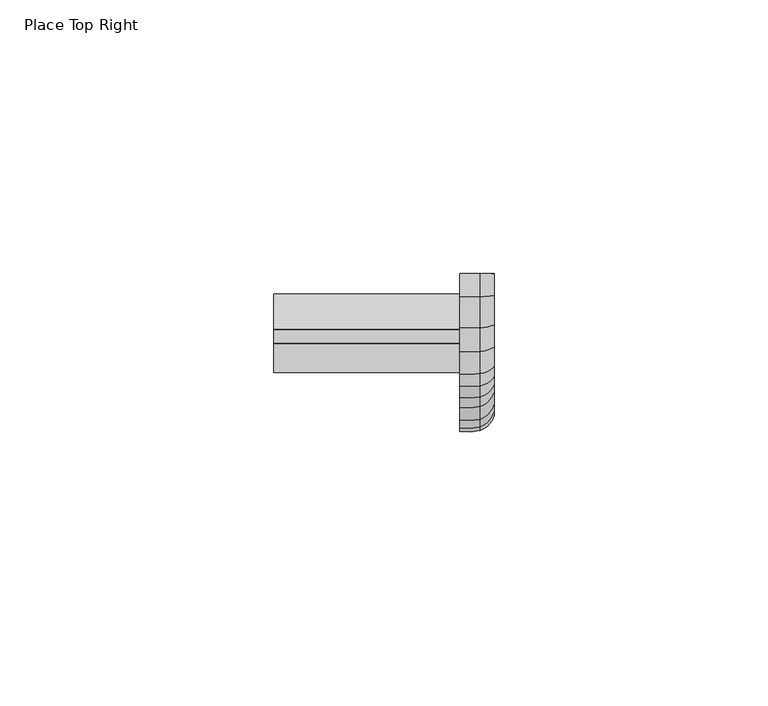
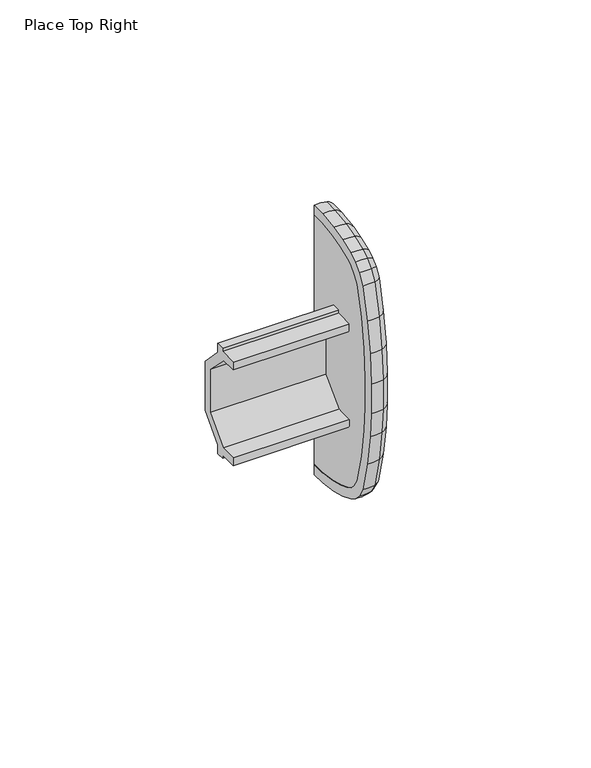
"""IFC4 building model written with IfcOpenShell, lengths in millimetres: furniture geometry, Place Top Right."""

from ifc_helpers import new_model, si_unit, frame, origin, place, context, project, spatial, polyline, circle_curve, ellipse_curve, outline, extrude, source, transform, mapped, element, save
from ifc_brep_helpers import plane_surface, cylinder_surface, advanced_brep


def place_top_right_40cb5857(model_context):
    return source(origin(), model_context, "Body", "SolidModel", [
        advanced_brep(
        [(0.0, 0.0345067, 1872.6630426), (6.2857404, 0.0345067, 1872.6630426), (3.7374705, 0.0022714, 1869.8834799), (0.0, 0.0, 1869.6876205), (0.0, 0.0345068, 1949.9111899), (0.0, 0.0, 1952.8866119), (3.7374705, 0.0022714, 1952.6907526), (6.2857404, 0.0345068, 1949.9111899), (0.0, -4.0166405, 1872.7100247), (6.2857404, -4.0166405, 1872.7100247), (3.7374705, -4.2331853, 1869.9325995), (0.0, -4.2484439, 1869.7368908), (0.0, -9.9277677, 1870.5605324), (0.0, -14.3006328, 1871.7326992), (0.0, -18.3551887, 1873.3113819), (0.0, -20.6131389, 1874.7464944), (0.0, -22.67665, 1876.8100056), (0.0, -24.4838344, 1879.8210136), (0.0, -26.8114062, 1889.2204399), (0.0, -28.1951654, 1898.4233665), (0.0, -28.7909025, 1905.9550289), (0.0, -28.8690704, 1915.0652287), (0.0, -28.1951654, 1924.1508659), (0.0, -26.8114085, 1933.3537926), (0.0, -24.4838344, 1942.7532188), (0.0, -22.6766477, 1945.7642269), (0.0, -20.6131248, 1947.8277498), (0.0, -18.3551887, 1949.2628506), (0.0, -14.3006328, 1950.8415333), (0.0, -9.9277677, 1952.0137001), (0.0, -4.24843, 1952.8373417), (0.0, -4.016627, 1949.8642077), (0.0, -9.3269329, 1949.0940847), (0.0, -13.372825, 1948.0095645), (0.0, -17.0045177, 1946.5955279), (0.0, -18.7406056, 1945.4921039), (0.0, -20.3136925, 1943.919017), (0.0, -21.7027531, 1941.6046612), (0.0, -23.8895635, 1932.7736802), (0.0, -25.2359754, 1923.8191233), (0.0, -25.8925026, 1914.9677753), (0.0, -25.8162884, 1906.0852714), (0.0, -25.23706, 1898.7623229), (0.0, -23.8895613, 1889.8005523), (0.0, -21.7027528, 1880.9695702), (0.0, -20.3136941, 1878.6552149), (0.0, -18.7406187, 1877.0821394), (0.0, -17.0045165, 1875.9787041), (0.0, -13.372825, 1874.5646679), (0.0, -9.3269324, 1873.4801476), (6.2857404, -9.3269324, 1873.4801476), (3.7374705, -9.8882173, 1870.7527182), (6.2857404, -13.372825, 1874.5646679), (3.7374705, -14.2395592, 1871.9191156), (6.2857404, -17.0045165, 1875.9787041), (3.7374705, -18.2662797, 1873.4869604), (6.2857404, -18.7406187, 1877.0821394), (3.7374705, -20.4898788, 1874.90024), (6.2857404, -20.3136941, 1878.6552149), (6.2857404, -21.7027528, 1880.9695702), (3.7374705, -22.5211067, 1876.9314678), (3.7374705, -24.3007676, 1879.8966182), (6.2857404, -23.8895613, 1889.8005523), (3.7374705, -26.6190736, 1889.2586262), (6.2857404, -25.23706, 1898.7623229), (3.7374705, -28.0004459, 1898.4456786), (6.2857404, -25.8162884, 1906.0852714), (3.7374705, -28.5950963, 1905.9636022), (6.2857404, -25.8925026, 1914.9677753), (3.7374705, -28.6731357, 1915.0588137), (6.2857404, -25.2359754, 1923.8191233), (3.7374705, -28.0003745, 1924.1290287), (6.2857404, -23.8895635, 1932.7736802), (3.7374705, -26.6190759, 1933.3156062), (6.2857404, -21.7027531, 1941.6046612), (3.7374705, -24.3007677, 1942.6776142), (6.2857404, -20.3136925, 1943.919017), (3.7374705, -22.5211045, 1945.6427646), (6.2857404, -18.7406056, 1945.4921039), (6.2857404, -17.0045177, 1946.5955279), (3.7374705, -20.4898649, 1947.6740042), (3.7374705, -18.2662798, 1949.0872721), (6.2857404, -13.372825, 1948.0095645), (3.7374705, -14.2395592, 1950.6551168), (6.2857404, -9.3269329, 1949.0940847), (3.7374705, -9.8882173, 1951.8215143), (6.2857404, -4.016627, 1949.8642077), (3.7374705, -4.2331714, 1952.6416329)],
        [
            (0, 1),
            (1, 2, circle_curve(frame((2.1154827, 0.0491771, 1873.928035), z_axis=(0.0, 0.999932758726831, -0.01159646605434704), x_axis=(0.0, -0.011596466054347039, -0.9999327587268307)), 4.3579204)),
            (2, 3, circle_curve(frame((1.2869074, 0.129879, 1880.8867413), z_axis=(0.0, 0.999932758726831, -0.01159646605434704), x_axis=(0.0, -0.011596466054347039, -0.9999327587268307)), 11.2735666)),
            (3, 0),
            (4, 5),
            (5, 6, circle_curve(frame((1.2869074, 0.1298794, 1941.6874912), z_axis=(0.0, 0.9999327582865747, 0.011596504016415349), x_axis=(0.0, -0.011596504016415349, 0.9999327582865747)), 11.2735666)),
            (6, 7, circle_curve(frame((2.1154827, 0.0491773, 1948.6461975), z_axis=(0.0, 0.9999327582865747, 0.011596504016415349), x_axis=(0.0, -0.011596504016415349, 0.9999327582865747)), 4.3579204)),
            (7, 4),
            (0, 8),
            (8, 9),
            (9, 1),
            (9, 10, ellipse_curve(frame((2.1154827, -3.9180899, 1873.9740443), z_axis=(0.0, 0.9969744367081161, -0.07773012640240917), x_axis=(0.0, 0.07773012640240955, 0.9969744367081161)), 4.3674905, 4.3579204)),
            (10, 2),
            (3, 11),
            (11, 12),
            (12, 13),
            (13, 14),
            (14, 15),
            (15, 16),
            (16, 17),
            (17, 18),
            (18, 19),
            (19, 20),
            (20, 21),
            (21, 22),
            (22, 23),
            (23, 24),
            (24, 25),
            (25, 26),
            (26, 27),
            (27, 28),
            (28, 29),
            (29, 30),
            (30, 5),
            (4, 31),
            (31, 32),
            (32, 33),
            (33, 34),
            (34, 35),
            (35, 36),
            (36, 37),
            (37, 38),
            (38, 39),
            (39, 40),
            (40, 41),
            (41, 42),
            (42, 43),
            (43, 44),
            (44, 45),
            (45, 46),
            (46, 47),
            (47, 48),
            (48, 49),
            (49, 8),
            (49, 50),
            (50, 9),
            (50, 51, ellipse_curve(frame((2.1154827, -9.071489, 1874.7214139), z_axis=(0.0, 0.9794743974731752, -0.20156861039001206), x_axis=(0.0, 0.20156861039001042, 0.9794743974731756)), 4.3655006, 4.3579204)),
            (51, 10),
            (48, 52),
            (52, 50),
            (52, 53, ellipse_curve(frame((2.1154827, -12.9783701, 1875.7686715), z_axis=(0.0, 0.9502997040868885, -0.31133659022410476), x_axis=(0.0, 0.31133659022410903, 0.950299704086887)), 4.3644485, 4.3579204)),
            (53, 51),
            (47, 54),
            (54, 52),
            (54, 55, ellipse_curve(frame((2.1154827, -16.430282, 1877.1127087), z_axis=(0.0, 0.8921397276806271, -0.45175956690914293), x_axis=(0.0, 0.45175956690914404, 0.8921397276806267)), 4.3786891, 4.3579204)),
            (55, 53),
            (46, 56),
            (56, 54),
            (56, 57, ellipse_curve(frame((2.1154827, -17.9445219, 1878.0751324), z_axis=(0.0, 0.7802159010365782, -0.6255103098828031), x_axis=(0.0, 0.6255103098828034, 0.780215901036578)), 4.3842322, 4.3579204)),
            (57, 55),
            (58, 45),
            (44, 59),
            (59, 58),
            (60, 58, ellipse_curve(frame((2.1154827, -19.3090901, 1879.4397005), z_axis=(0.0, -0.6154679787389694, 0.7881618914582001), x_axis=(0.0, -0.7881618914582013, -0.615467978738968)), 4.3907801, 4.3579204)),
            (59, 61, ellipse_curve(frame((2.1154827, -20.5203837, 1881.4578757), z_axis=(0.0, 0.381717250069624, -0.9242791466863699), x_axis=(0.0, 0.92427914668637, 0.3817172500696234)), 4.4066859, 4.3579204)),
            (61, 60),
            (43, 62),
            (62, 59),
            (62, 63, ellipse_curve(frame((2.1154827, -22.6473471, 1890.0471855), z_axis=(0.0, 0.19474198430786063, -0.9808545047803149), x_axis=(0.0, 0.9808545047803159, 0.1947419843078558)), 4.3626873, 4.3579204)),
            (63, 61),
            (42, 64),
            (64, 62),
            (64, 65, ellipse_curve(frame((2.1154827, -23.9794298, 1898.9064293), z_axis=(0.0, 0.11384072236192218, -0.9934990135536702), x_axis=(0.0, 0.9934990135536701, 0.11384072236192305)), 4.3606147, 4.3579204)),
            (65, 63),
            (41, 66),
            (66, 64),
            (66, 67, ellipse_curve(frame((2.1154827, -24.5516395, 1906.1406436), z_axis=(0.0, 0.04374274453800032, -0.9990428280610812), x_axis=(0.0, 0.9990428280610814, 0.043742744537998576)), 4.360618, 4.3579204)),
            (67, 65),
            (40, 68),
            (68, 66),
            (68, 69, ellipse_curve(frame((2.1154827, -24.6270231, 1914.9263433), z_axis=(0.0, -0.03272262932383509, -0.9994644713696104), x_axis=(0.0, 0.9994644713696105, -0.03272262932384011)), 4.3616412, 4.3579204)),
            (69, 67),
            (39, 70),
            (70, 68),
            (70, 71, ellipse_curve(frame((2.1154827, -23.977884, 1923.6780839), z_axis=(0.0, -0.11140799859008914, -0.9937747520691753), x_axis=(0.0, 0.9937747520691756, -0.11140799859008384)), 4.3610032, 4.3579204)),
            (71, 69),
            (38, 72),
            (72, 70),
            (72, 73, ellipse_curve(frame((2.1154827, -22.6473493, 1932.527047), z_axis=(0.0, -0.19474197760746348, -0.9808545061106333), x_axis=(0.0, 0.9808545061106335, -0.1947419776074624)), 4.3626874, 4.3579204)),
            (73, 71),
            (37, 74),
            (74, 72),
            (74, 75, ellipse_curve(frame((2.1154827, -20.5203842, 1941.1163552), z_axis=(0.0, -0.38171761151703903, -0.9242789974124301), x_axis=(0.0, 0.9242789974124304, -0.38171761151703837)), 4.406686, 4.3579204)),
            (75, 73),
            (36, 76),
            (76, 74),
            (76, 77, ellipse_curve(frame((2.1154827, -19.3090886, 1943.1345312), z_axis=(0.0, -0.61546819724616, -0.788161720828005), x_axis=(0.0, 0.7881617208280051, -0.6154681972461596)), 4.39078, 4.3579204)),
            (77, 75),
            (78, 35),
            (34, 79),
            (79, 78),
            (80, 78, ellipse_curve(frame((2.1154827, -17.9445093, 1944.4991105), z_axis=(0.0, 0.7802161816917375, 0.6255099598138831), x_axis=(0.0, -0.6255099598138839, 0.7802161816917367)), 4.3842324, 4.3579204)),
            (79, 81, ellipse_curve(frame((2.1154827, -16.4302838, 1945.4615231), z_axis=(0.0, -0.8921399303769276, -0.4517591666220518), x_axis=(0.0, 0.45175916662205207, -0.8921399303769275)), 4.3786889, 4.3579204)),
            (81, 80),
            (33, 82),
            (82, 79),
            (82, 83, ellipse_curve(frame((2.1154827, -12.9783701, 1946.8055609), z_axis=(0.0, -0.9502997040868765, -0.31133659022414106), x_axis=(0.0, 0.31133659022413696, -0.9502997040868778)), 4.3644485, 4.3579204)),
            (83, 81),
            (32, 84),
            (84, 82),
            (84, 85, ellipse_curve(frame((2.1154827, -9.0714897, 1947.8528184), z_axis=(0.0, -0.9794744325328948, -0.2015684400256246), x_axis=(0.0, 0.20156844002562574, -0.9794744325328945)), 4.3655006, 4.3579204)),
            (85, 83),
            (31, 86),
            (86, 84),
            (86, 87, ellipse_curve(frame((2.1154827, -3.9180767, 1948.6001882), z_axis=(0.0, -0.996974448752558, -0.07772997191902875), x_axis=(0.0, 0.07772997191902849, -0.9969744487525583)), 4.3674904, 4.3579204)),
            (87, 85),
            (7, 86),
            (6, 87),
            (58, 56),
            (60, 57),
            (78, 76),
            (80, 77),
            (10, 11, ellipse_curve(frame((1.2869074, -3.3759645, 1880.9273994), z_axis=(0.0, 0.9969744367081161, -0.07773012640240917), x_axis=(0.0, 0.07773012640240955, 0.9969744367081161)), 11.2983236, 11.2735666)),
            (51, 12, ellipse_curve(frame((1.2869074, -7.6662979, 1881.5496032), z_axis=(0.0, 0.9794743974731752, -0.20156861039001206), x_axis=(0.0, 0.20156861039001042, 0.9794743974731756)), 11.2931758, 11.2735666)),
            (53, 13, ellipse_curve(frame((1.2869074, -10.8084789, 1882.3918794), z_axis=(0.0, 0.9502997040868885, -0.31133659022410476), x_axis=(0.0, 0.31133659022410903, 0.950299704086887)), 11.2904543, 11.2735666)),
            (55, 14, ellipse_curve(frame((1.2869074, -13.2714255, 1883.3508529), z_axis=(0.0, 0.8921397276806271, -0.45175956690914293), x_axis=(0.0, 0.45175956690914404, 0.8921397276806267)), 11.3272935, 11.2735666)),
            (57, 15, ellipse_curve(frame((1.2869074, -13.5652044, 1883.5375734), z_axis=(0.0, 0.7802159010365782, -0.6255103098828031), x_axis=(0.0, 0.6255103098828034, 0.780215901036578)), 11.341633, 11.2735666)),
            (60, 16, ellipse_curve(frame((1.2869074, -13.7827763, 1883.7551453), z_axis=(0.0, 0.6154679787389694, -0.7881618914582001), x_axis=(0.0, 0.7881618914581987, 0.615467978738971)), 11.3585719, 11.2735666)),
            (61, 17, ellipse_curve(frame((1.2869074, -14.016187, 1884.1440383), z_axis=(0.0, 0.381717250069624, -0.9242791466863699), x_axis=(0.0, 0.92427914668637, 0.3817172500696234)), 11.3997187, 11.2735666)),
            (63, 18, ellipse_curve(frame((1.2869074, -15.8139431, 1891.4039113), z_axis=(0.0, 0.19474198430786063, -0.9808545047803149), x_axis=(0.0, 0.9808545047803159, 0.1947419843078558)), 11.2858982, 11.2735666)),
            (65, 19, ellipse_curve(frame((1.2869074, -17.0612225, 1899.6991565), z_axis=(0.0, 0.11384072236192218, -0.9934990135536702), x_axis=(0.0, 0.9934990135536701, 0.11384072236192305)), 11.2805364, 11.2735666)),
            (67, 20, ellipse_curve(frame((1.2869074, -17.5948226, 1906.4452454), z_axis=(0.0, 0.04374274453800032, -0.9990428280610812), x_axis=(0.0, 0.9990428280610814, 0.043742744537998576)), 11.2805451, 11.2735666)),
            (69, 21, ellipse_curve(frame((1.2869074, -17.6656371, 1914.6984264), z_axis=(0.0, -0.03272262932383509, -0.9994644713696104), x_axis=(0.0, 0.9994644713696105, -0.03272262932384011)), 11.283192, 11.2735666)),
            (71, 22, ellipse_curve(frame((1.2869074, -17.0571401, 1922.9022277), z_axis=(0.0, -0.11140799859008914, -0.9937747520691753), x_axis=(0.0, 0.9937747520691756, -0.11140799859008384)), 11.2815415, 11.2735666)),
            (73, 23, ellipse_curve(frame((1.2869074, -15.8139452, 1931.1703212), z_axis=(0.0, -0.19474197760746348, -0.9808545061106333), x_axis=(0.0, 0.9808545061106335, -0.1947419776074624)), 11.2858984, 11.2735666)),
            (75, 24, ellipse_curve(frame((1.2869074, -14.0161884, 1938.4301899), z_axis=(0.0, -0.38171761151703903, -0.9242789974124301), x_axis=(0.0, 0.9242789974124304, -0.38171761151703837)), 11.399719, 11.2735666)),
            (77, 25, ellipse_curve(frame((1.2869074, -13.7827763, 1938.8190849), z_axis=(0.0, -0.61546819724616, -0.788161720828005), x_axis=(0.0, 0.7881617208280051, -0.6154681972461596)), 11.3585715, 11.2735666)),
            (80, 26, ellipse_curve(frame((1.2869074, -13.565194, 1939.0366673), z_axis=(0.0, -0.7802161816917375, -0.6255099598138831), x_axis=(0.0, 0.6255099598138825, -0.7802161816917381)), 11.3416336, 11.2735666)),
            (81, 27, ellipse_curve(frame((1.2869074, -13.2714303, 1939.2233778), z_axis=(0.0, -0.8921399303769276, -0.4517591666220518), x_axis=(0.0, 0.45175916662205207, -0.8921399303769275)), 11.327293, 11.2735666)),
            (83, 28, ellipse_curve(frame((1.2869074, -10.8084789, 1940.182353), z_axis=(0.0, -0.9502997040868765, -0.31133659022414106), x_axis=(0.0, 0.31133659022413696, -0.9502997040868778)), 11.2904543, 11.2735666)),
            (85, 29, ellipse_curve(frame((1.2869074, -7.6662998, 1941.0246288), z_axis=(0.0, -0.9794744325328948, -0.2015684400256246), x_axis=(0.0, 0.20156844002562574, -0.9794744325328945)), 11.2931759, 11.2735666)),
            (87, 30, ellipse_curve(frame((1.2869074, -3.3759523, 1941.6468331), z_axis=(0.0, -0.996974448752558, -0.07772997191902875), x_axis=(0.0, 0.07772997191902849, -0.9969744487525583)), 11.2983234, 11.2735666)),
        ],
        [
            plane_surface(frame((6.2857404, 0.0, 1869.6876205), z_axis=(0.0, 0.9999327587268309, -0.01159646605434704), x_axis=(1.0, 0.0, 0.0))),
            plane_surface(frame((6.2857404, 0.0, 1952.8866119), z_axis=(0.0, 0.9999327582865747, 0.011596504016417078), x_axis=(1.0, 0.0, 0.0))),
            plane_surface(frame((0.0, 0.0345067, 1872.6630426), z_axis=(0.0, 0.011596466054344348, 0.9999327587268309), x_axis=(0.0, -0.9999327587268309, 0.011596466054344348))),
            cylinder_surface(frame((2.1154827, 0.0491771, 1873.928035), z_axis=(0.0, 0.9999327587268307, -0.011596466054347039), x_axis=(0.0, -0.011596466054347039, -0.9999327587268307)), 4.3579204),
            plane_surface(frame((0.0, 0.0, 1869.6876205), z_axis=(-1.0000000000000002, 0.0, 0.0), x_axis=(0.0, -0.9999327587268309, 0.011596466054347474))),
            plane_surface(frame((0.0, -4.0166405, 1872.7100247), z_axis=(0.0, 0.14352314125735396, 0.9896469612561956), x_axis=(0.0, -0.9896469612561956, 0.14352314125735396))),
            cylinder_surface(frame((2.1154827, -3.6398054, 1873.9336862), z_axis=(0.0, 0.9896469612561979, -0.1435231412573373), x_axis=(0.0, -0.1435231412573373, -0.9896469612561979)), 4.3579204),
            plane_surface(frame((0.0, -9.3269324, 1873.4801476), z_axis=(0.0, 0.25891408061094745, 0.9659003565903618), x_axis=(0.0, -0.9659003565903618, 0.25891408061094745))),
            cylinder_surface(frame((2.1154827, -8.8297909, 1874.6566256), z_axis=(0.0, 0.9659003565903541, -0.258914080610976), x_axis=(0.0, -0.258914080610976, -0.9659003565903541)), 4.3579204),
            plane_surface(frame((0.0, -13.372825, 1874.5646679), z_axis=(0.0, 0.36282773646722033, 0.9318562301396464), x_axis=(0.0, -0.9318562301396464, 0.36282773646722033))),
            cylinder_surface(frame((2.1154827, -12.7619894, 1875.6844215), z_axis=(0.0, 0.9318562301396465, -0.36282773646721994), x_axis=(0.0, -0.36282773646721994, -0.9318562301396465)), 4.3579204),
            plane_surface(frame((0.0, -17.0045165, 1875.9787041), z_axis=(0.0, 0.5364058836573836, 0.8439601459652828), x_axis=(0.0, -0.8439601459652828, 0.5364058836573836))),
            cylinder_surface(frame((2.1154827, -16.0804525, 1876.8903633), z_axis=(0.0, 0.84396014596523, -0.5364058836574669), x_axis=(0.0, -0.5364058836574669, -0.84396014596523)), 4.3579204),
            plane_surface(frame((0.0, -20.3136941, 1878.6552149), z_axis=(0.0, 0.8574201090031288, 0.514617097148028), x_axis=(0.0, -0.514617097148028, 0.8574201090031288))),
            cylinder_surface(frame((2.1154827, -19.0405889, 1878.9923421), z_axis=(0.0, 0.5146170971480151, -0.8574201090031366), x_axis=(0.0, -0.8574201090031366, -0.5146170971480151)), 4.3579204),
            plane_surface(frame((0.0, -21.7027528, 1880.9695702), z_axis=(0.0, 0.9706815759028803, 0.24036904584971203), x_axis=(0.0, -0.24036904584971203, 0.9706815759028803))),
            cylinder_surface(frame((2.1154827, -20.3674655, 1880.8403465), z_axis=(0.0, 0.24036904584971025, -0.9706815759028806), x_axis=(0.0, -0.9706815759028806, -0.24036904584971025)), 4.3579204),
            plane_surface(frame((0.0, -23.8895613, 1889.8005523), z_axis=(0.0, 0.9888839554113816, 0.14868934975290105), x_axis=(0.0, -0.14868934975290105, 0.9888839554113816))),
            cylinder_surface(frame((2.1154827, -22.6178465, 1889.8509868), z_axis=(0.0, 0.1486893497529045, -0.9888839554113812), x_axis=(0.0, -0.9888839554113812, -0.1486893497529045)), 4.3579204),
            plane_surface(frame((0.0, -25.23706, 1898.7623229), z_axis=(0.0, 0.9968863795385964, 0.07885141907682876), x_axis=(0.0, -0.07885141907682876, 0.9968863795385964))),
            cylinder_surface(frame((2.1154827, -23.9676697, 1898.7577517), z_axis=(0.0, 0.07885141907682669, -0.9968863795385966), x_axis=(0.0, -0.9968863795385966, -0.07885141907682669)), 4.3579204),
            plane_surface(frame((0.0, -25.8162884, 1906.0852714), z_axis=(0.0, 0.9999631915649158, 0.008579948444344052), x_axis=(0.0, -0.008579948444344052, 0.9999631915649158))),
            cylinder_surface(frame((2.1154827, -24.550359, 1905.9914139), z_axis=(0.0, 0.008579948444342317, -0.9999631915649159), x_axis=(0.0, -0.9999631915649159, -0.008579948444342317)), 4.3579204),
            plane_surface(frame((0.0, -25.8925026, 1914.9677753), z_axis=(0.0, 0.9972605132152332, -0.07396937732392816), x_axis=(0.0, 0.07396937732392816, 0.9972605132152332))),
            cylinder_surface(frame((2.1154827, -24.6399882, 1914.7515467), z_axis=(0.0, -0.07396937732392961, -0.9972605132152331), x_axis=(0.0, -0.9972605132152331, 0.07396937732392961)), 4.3579204),
            plane_surface(frame((0.0, -25.2359754, 1923.8191233), z_axis=(0.0, 0.9888839912911235, -0.1486891111283452), x_axis=(0.0, 0.1486891111283452, 0.9888839912911235))),
            cylinder_surface(frame((2.1154827, -24.0016054, 1923.5203201), z_axis=(0.0, -0.14868911112834593, -0.9888839912911234), x_axis=(0.0, -0.9888839912911234, 0.14868911112834593)), 4.3579204),
            plane_surface(frame((0.0, -23.8895635, 1932.7736802), z_axis=(0.0, 0.9706815211841487, -0.24036926682008872), x_axis=(0.0, 0.24036926682008872, 0.9706815211841487))),
            cylinder_surface(frame((2.1154827, -22.6950398, 1932.3344587), z_axis=(0.0, -0.24036926682008986, -0.9706815211841485), x_axis=(0.0, -0.9706815211841485, 0.24036926682008986)), 4.3579204),
            plane_surface(frame((0.0, -21.7027531, 1941.6046612), z_axis=(0.0, 0.8574198236617654, -0.5146175725641589), x_axis=(0.0, 0.5146175725641589, 0.8574198236617654))),
            cylinder_surface(frame((2.1154827, -20.8477745, 1940.5708803), z_axis=(0.0, -0.514617572564173, -0.8574198236617567), x_axis=(0.0, -0.8574198236617567, 0.514617572564173)), 4.3579204),
            plane_surface(frame((0.0, -18.7406056, 1945.4921039), z_axis=(0.0, 0.5364051263177104, -0.8439606273162754), x_axis=(0.0, 0.8439606273162754, 0.5364051263177104))),
            cylinder_surface(frame((2.1154827, -18.3383918, 1944.2487664), z_axis=(0.0, -0.8439606273162565, -0.53640512631774), x_axis=(0.0, -0.53640512631774, 0.8439606273162565)), 4.3579204),
            plane_surface(frame((0.0, -17.0045177, 1946.5955279), z_axis=(0.0, 0.36282773646726124, -0.9318562301396304), x_axis=(0.0, 0.9318562301396304, 0.36282773646726124))),
            cylinder_surface(frame((2.1154827, -16.8165452, 1945.3111283), z_axis=(0.0, -0.9318562301396281, -0.36282773646726696), x_axis=(0.0, -0.36282773646726696, 0.9318562301396281)), 4.3579204),
            plane_surface(frame((0.0, -13.372825, 1948.0095645), z_axis=(0.0, 0.2589140806110386, -0.9659003565903372), x_axis=(0.0, 0.9659003565903372, 0.2589140806110386))),
            cylinder_surface(frame((2.1154827, -13.202656, 1946.7454401), z_axis=(0.0, -0.9659003565903472, -0.25891408061100113), x_axis=(0.0, -0.25891408061100113, 0.9659003565903472)), 4.3579204),
            plane_surface(frame((0.0, -9.3269329, 1949.0940847), z_axis=(0.0, 0.14352279698981593, -0.9896470111833917), x_axis=(0.0, 0.9896470111833917, 0.14352279698981593))),
            cylinder_surface(frame((2.1154827, -9.3191306, 1947.8169045), z_axis=(0.0, -0.9896470111833919, -0.14352279698981457), x_axis=(0.0, -0.14352279698981457, 0.9896470111833919)), 4.3579204),
            plane_surface(frame((0.0, -4.016627, 1949.8642077), z_axis=(0.0, 0.011596504016428297, -0.9999327582865745), x_axis=(0.0, 0.9999327582865745, 0.011596504016428297))),
            cylinder_surface(frame((2.1154827, -4.1992527, 1948.5969273), z_axis=(0.0, -0.9999327582865747, -0.011596504016415349), x_axis=(0.0, -0.011596504016415349, 0.9999327582865747)), 4.3579204),
            plane_surface(frame((0.0, -18.7406187, 1877.0821394), z_axis=(0.0, 0.7071067811865622, 0.7071067811865328), x_axis=(0.0, -0.7071067811865328, 0.7071067811865622))),
            cylinder_surface(frame((2.1154827, -17.6145114, 1877.7451218), z_axis=(0.0, 0.707106781186543, -0.7071067811865521), x_axis=(0.0, -0.7071067811865521, -0.707106781186543)), 4.3579204),
            plane_surface(frame((0.0, -20.3136925, 1943.919017), z_axis=(0.0, 0.7071067811865334, -0.7071067811865618), x_axis=(0.0, 0.7071067811865618, 0.7071067811865334))),
            cylinder_surface(frame((2.1154827, -19.6780203, 1942.7655995), z_axis=(0.0, -0.7071067811865412, -0.7071067811865538), x_axis=(0.0, -0.7071067811865538, 0.7071067811865412)), 4.3579204),
            cylinder_surface(frame((1.2869074, 0.129879, 1880.8867413), z_axis=(0.0, 0.9999327587268307, -0.011596466054347039), x_axis=(0.0, -0.011596466054347039, -0.9999327587268307)), 11.2735666),
            cylinder_surface(frame((1.2869074, -2.6410028, 1880.8208119), z_axis=(0.0, 0.9896469612561979, -0.1435231412573373), x_axis=(0.0, -0.1435231412573373, -0.9896469612561979)), 11.2735666),
            cylinder_surface(frame((1.2869074, -7.0279627, 1881.3784945), z_axis=(0.0, 0.9659003565903541, -0.258914080610976), x_axis=(0.0, -0.258914080610976, -0.9659003565903541)), 11.2735666),
            cylinder_surface(frame((1.2869074, -10.237008, 1882.1693714), z_axis=(0.0, 0.9318562301396465, -0.36282773646721994), x_axis=(0.0, -0.36282773646721994, -0.9318562301396465)), 11.2735666),
            cylinder_surface(frame((1.2869074, -12.3475105, 1882.763629), z_axis=(0.0, 0.84396014596523, -0.5364058836574669), x_axis=(0.0, -0.5364058836574669, -0.84396014596523)), 11.2735666),
            cylinder_surface(frame((1.2869074, -12.6936321, 1882.6660011), z_axis=(0.0, 0.707106781186543, -0.7071067811865521), x_axis=(0.0, -0.7071067811865521, -0.707106781186543)), 11.2735666),
            cylinder_surface(frame((1.2869074, -13.073653, 1882.5736521), z_axis=(0.0, 0.5146170971480151, -0.8574201090031366), x_axis=(0.0, -0.8574201090031366, -0.5146170971480151)), 11.2735666),
            cylinder_surface(frame((1.2869074, -13.6123232, 1882.5131166), z_axis=(0.0, 0.24036904584971025, -0.9706815759028806), x_axis=(0.0, -0.9706815759028806, -0.24036904584971025)), 11.2735666),
            cylinder_surface(frame((1.2869074, -15.7360307, 1890.8857419), z_axis=(0.0, 0.1486893497529045, -0.9888839554113812), x_axis=(0.0, -0.9888839554113812, -0.1486893497529045)), 11.2735666),
            cylinder_surface(frame((1.2869074, -17.0301637, 1899.3064925), z_axis=(0.0, 0.07885141907682669, -0.9968863795385966), x_axis=(0.0, -0.9968863795385966, -0.07885141907682669)), 11.2735666),
            cylinder_surface(frame((1.2869074, -17.591441, 1906.0511233), z_axis=(0.0, 0.008579948444342317, -0.9999631915649159), x_axis=(0.0, -0.9999631915649159, -0.008579948444342317)), 11.2735666),
            cylinder_surface(frame((1.2869074, -17.6998785, 1914.236781), z_axis=(0.0, -0.07396937732392961, -0.9972605132152331), x_axis=(0.0, -0.9972605132152331, 0.07396937732392961)), 11.2735666),
            cylinder_surface(frame((1.2869074, -17.1197894, 1922.4855667), z_axis=(0.0, -0.14868911112834593, -0.9888839912911234), x_axis=(0.0, -0.9888839912911234, 0.14868911112834593)), 11.2735666),
            cylinder_surface(frame((1.2869074, -15.939898, 1930.6616871), z_axis=(0.0, -0.24036926682008986, -0.9706815211841485), x_axis=(0.0, -0.9706815211841485, 0.24036926682008986)), 11.2735666),
            cylinder_surface(frame((1.2869074, -14.8808406, 1936.989567), z_axis=(0.0, -0.514617572564173, -0.8574198236617567), x_axis=(0.0, -0.8574198236617567, 0.514617572564173)), 11.2735666),
            cylinder_surface(frame((1.2869074, -14.757141, 1937.8447202), z_axis=(0.0, -0.7071067811865412, -0.7071067811865538), x_axis=(0.0, -0.7071067811865538, 0.7071067811865412)), 11.2735666),
            cylinder_surface(frame((1.2869074, -14.6054551, 1938.3754973), z_axis=(0.0, -0.8439606273162565, -0.53640512631774), x_axis=(0.0, -0.53640512631774, 0.8439606273162565)), 11.2735666),
            cylinder_surface(frame((1.2869074, -14.2915638, 1938.8261784), z_axis=(0.0, -0.9318562301396281, -0.36282773646726696), x_axis=(0.0, -0.36282773646726696, 0.9318562301396281)), 11.2735666),
            cylinder_surface(frame((1.2869074, -11.4008278, 1940.0235712), z_axis=(0.0, -0.9659003565903472, -0.25891408061100113), x_axis=(0.0, -0.25891408061100113, 0.9659003565903472)), 11.2735666),
            cylinder_surface(frame((1.2869074, -8.3203305, 1940.9297785), z_axis=(0.0, -0.9896470111833919, -0.14352279698981457), x_axis=(0.0, -0.14352279698981457, 0.9896470111833919)), 11.2735666),
            cylinder_surface(frame((1.2869074, -4.1185506, 1941.638221), z_axis=(0.0, -0.9999327582865747, -0.011596504016415349), x_axis=(0.0, -0.011596504016415349, 0.9999327582865747)), 11.2735666),
        ],
        [
            (0, [[1, 2, 3, 4]]),
            (1, [[5, 6, 7, 8]]),
            (2, [[-1, 9, 10, 11]]),
            (3, [[-2, -11, 12, 13]]),
            (4, [[-4, 14, 15, 16, 17, 18, 19, 20, 21, 22, 23, 24, 25, 26, 27, 28, 29, 30, 31, 32, 33, 34, -5, 35, 36, 37, 38, 39, 40, 41, 42, 43, 44, 45, 46, 47, 48, 49, 50, 51, 52, 53, 54, -9]]),
            (5, [[-10, -54, 55, 56]]),
            (6, [[-12, -56, 57, 58]]),
            (7, [[-55, -53, 59, 60]]),
            (8, [[-57, -60, 61, 62]]),
            (9, [[-59, -52, 63, 64]]),
            (10, [[-61, -64, 65, 66]]),
            (11, [[-63, -51, 67, 68]]),
            (12, [[-65, -68, 69, 70]]),
            (13, [[71, -49, 72, 73]]),
            (14, [[74, -73, 75, 76]]),
            (15, [[-72, -48, 77, 78]]),
            (16, [[-75, -78, 79, 80]]),
            (17, [[-77, -47, 81, 82]]),
            (18, [[-79, -82, 83, 84]]),
            (19, [[-81, -46, 85, 86]]),
            (20, [[-83, -86, 87, 88]]),
            (21, [[-85, -45, 89, 90]]),
            (22, [[-87, -90, 91, 92]]),
            (23, [[-89, -44, 93, 94]]),
            (24, [[-91, -94, 95, 96]]),
            (25, [[-93, -43, 97, 98]]),
            (26, [[-95, -98, 99, 100]]),
            (27, [[-97, -42, 101, 102]]),
            (28, [[-99, -102, 103, 104]]),
            (29, [[-101, -41, 105, 106]]),
            (30, [[-103, -106, 107, 108]]),
            (31, [[109, -39, 110, 111]]),
            (32, [[112, -111, 113, 114]]),
            (33, [[-110, -38, 115, 116]]),
            (34, [[-113, -116, 117, 118]]),
            (35, [[-115, -37, 119, 120]]),
            (36, [[-117, -120, 121, 122]]),
            (37, [[-119, -36, 123, 124]]),
            (38, [[-121, -124, 125, 126]]),
            (39, [[-123, -35, -8, 127]]),
            (40, [[-125, -127, -7, 128]]),
            (41, [[-67, -50, -71, 129]]),
            (42, [[-69, -129, -74, 130]]),
            (43, [[-105, -40, -109, 131]]),
            (44, [[-107, -131, -112, 132]]),
            (45, [[-3, -13, 133, -14]]),
            (46, [[-133, -58, 134, -15]]),
            (47, [[-134, -62, 135, -16]]),
            (48, [[-135, -66, 136, -17]]),
            (49, [[-136, -70, 137, -18]]),
            (50, [[-137, -130, 138, -19]]),
            (51, [[-138, -76, 139, -20]]),
            (52, [[-139, -80, 140, -21]]),
            (53, [[-140, -84, 141, -22]]),
            (54, [[-141, -88, 142, -23]]),
            (55, [[-142, -92, 143, -24]]),
            (56, [[-143, -96, 144, -25]]),
            (57, [[-144, -100, 145, -26]]),
            (58, [[-145, -104, 146, -27]]),
            (59, [[-146, -108, 147, -28]]),
            (60, [[-147, -132, 148, -29]]),
            (61, [[-148, -114, 149, -30]]),
            (62, [[-149, -118, 150, -31]]),
            (63, [[-150, -122, 151, -32]]),
            (64, [[-151, -126, 152, -33]]),
            (65, [[-152, -128, -6, -34]]),
        ],
    ),
        extrude(outline(polyline([(0.0345068, 1949.9111899), (0.0345068, 1872.6630426), (-4.0166405, 1872.7100247), (-9.3269324, 1873.4801476), (-13.372825, 1874.5646679), (-17.0045165, 1875.9787041), (-18.7448572, 1877.0848334), (-20.3113754, 1878.6513515), (-21.7027528, 1880.9695702), (-23.8895613, 1889.8005523), (-25.23706, 1898.7623229), (-25.8162884, 1906.0852714), (-25.8925026, 1914.9677753), (-25.2359754, 1923.8191233), (-23.8895635, 1932.7736802), (-21.7027531, 1941.6046612), (-20.3113724, 1943.9228825), (-18.7448465, 1945.4894084), (-17.0045177, 1946.5955279), (-13.372825, 1948.0095645), (-9.3269329, 1949.0940847), (-4.016627, 1949.8642077), (0.0345068, 1949.9111899)])), frame((0.0, 0.0, 0.0), z_axis=(1.0, 0.0, 0.0), x_axis=(0.0, 1.0, 0.0)), (0.0, 0.0, 1.0), 6.2857404),
        extrude(outline(polyline([(-10.1829994, 1928.287096), (-10.1272139, 1925.5704014), (-3.6890145, 1918.9034507), (-3.6890145, 1903.6835106), (-10.1271764, 1897.0038311), (-10.1829994, 1894.2871365), (-12.6287418, 1894.3413483), (-12.732753, 1895.2373692), (-18.0287415, 1895.3414326), (-18.0381943, 1897.7274788), (-12.9803755, 1897.8294245), (-6.1968403, 1904.6129597), (-6.1968403, 1917.8177244), (-13.0397886, 1924.6606727), (-18.0207119, 1924.8346104), (-18.0207119, 1927.2366777), (-12.729928, 1927.3539521), (-12.6287418, 1928.2328842), (-10.1829994, 1928.287096)])), frame((-34.0106, 0.0, 0.0), z_axis=(1.0, 0.0, 0.0), x_axis=(0.0, 1.0, 0.0)), (0.0, 0.0, 1.0), 34.0106),
    ])


if __name__ == "__main__":
    model = new_model("IFC4")
    model_context = context("Model", 3, world=origin())
    ifc_project = project(units=[si_unit("LENGTHUNIT", "METRE", prefix="MILLI")], contexts=[model_context])
    site = spatial("IfcSite", under=ifc_project)
    building = spatial("IfcBuilding", under=site)
    placement = place(None, origin())
    place_top_right_shape = place_top_right_40cb5857(model_context)
    element("IfcFurniture", 1, ObjectType="Place Top Right", at=placement, inside=building, context=model_context, shape_type="MappedRepresentation", body=[
        mapped(place_top_right_shape, transform((0.0, 0.0, 0.0), x_axis=(1.0, 0.0, 0.0), y_axis=(0.0, 1.0, 0.0), z_axis=(0.0, 0.0, 1.0))),
    ])
    save(model, "model.ifc")
